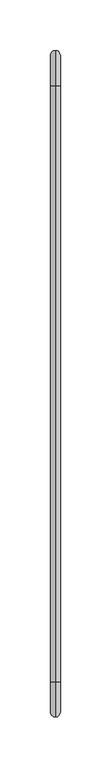
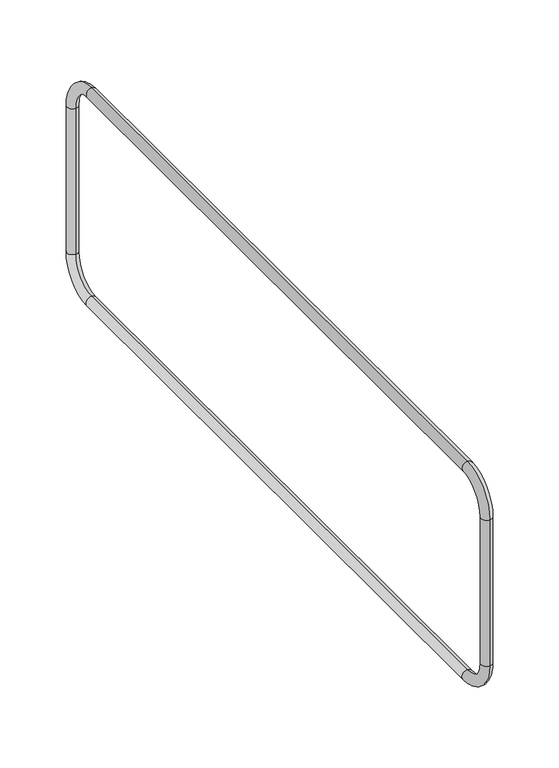
"""IFC4 building model written with IfcOpenShell, lengths in millimetres: beam geometry."""

from ifc_helpers import new_model, si_unit, point, frame, origin, place, context, project, spatial, circle_curve, ellipse_curve, trimmed, source, transform, mapped, element, save
from ifc_brep_helpers import cylinder_surface, revolved_surface, advanced_brep


def beam_24ae7504(model_context):
    return source(origin(), model_context, "Body", "AdvancedBrep", [
        advanced_brep(
        [(0.0, -30.0, -0.2869889), (0.0, 5.0, -35.2869889), (0.0, -5.0, -35.2869889), (0.0, -30.0, -10.2869889), (0.0, -620.0, -10.2869889), (0.0, -620.0, -0.2869889), (0.0, -655.0, -35.2869889), (0.0, -645.0, -35.2869889), (0.0, -645.0, -175.2869889), (0.0, -655.0, -175.2869889), (0.0, -620.0, -210.2869889), (0.0, -620.0, -200.2869889), (0.0, -30.0, -200.2869889), (0.0, -30.0, -210.2869889), (0.0, 5.0, -175.2869889), (0.0, -5.0, -175.2869889)],
        [
            (0, 1, circle_curve(frame((0.0, -30.0, -35.2869889), z_axis=(-1.0, 0.0, 0.0), x_axis=(0.0, 1.0, 0.0)), 35.0)),
            (1, 2, circle_curve(frame((0.0, 0.0, -35.2869889), z_axis=(0.0, 0.0, 1.0), x_axis=(0.0, -1.0, 0.0)), 5.0)),
            (2, 3, circle_curve(frame((0.0, -30.0, -35.2869889), z_axis=(1.0, 0.0, 0.0), x_axis=(0.0, 1.0, 0.0)), 25.0)),
            (3, 0, circle_curve(frame((0.0, -30.0, -5.2869889), z_axis=(0.0, 1.0, 0.0), x_axis=(0.0, 0.0, -1.0)), 5.0)),
            (2, 1, circle_curve(frame((0.0, 0.0, -35.2869889), z_axis=(0.0, 0.0, 1.0), x_axis=(0.0, -1.0, 0.0)), 5.0)),
            (0, 3, circle_curve(frame((0.0, -30.0, -5.2869889), z_axis=(0.0, 1.0, 0.0), x_axis=(0.0, 0.0, -1.0)), 5.0)),
            (3, 4),
            (4, 5, circle_curve(frame((0.0, -620.0, -5.2869889), z_axis=(0.0, 1.0, 0.0), x_axis=(0.0, 0.0, -1.0)), 5.0)),
            (5, 0),
            (5, 4, circle_curve(frame((0.0, -620.0, -5.2869889), z_axis=(0.0, 1.0, 0.0), x_axis=(0.0, 0.0, -1.0)), 5.0)),
            (6, 5, circle_curve(frame((0.0, -620.0, -35.2869889), z_axis=(-1.0, 0.0, 0.0), x_axis=(0.0, 0.0, 1.0)), 35.0)),
            (4, 7, circle_curve(frame((0.0, -620.0, -35.2869889), z_axis=(1.0, 0.0, 0.0), x_axis=(0.0, 0.0, 1.0)), 25.0)),
            (7, 6, circle_curve(frame((0.0, -650.0, -35.2869889), z_axis=(0.0, 0.0, 1.0), x_axis=(0.0, 1.0, 0.0)), 5.0)),
            (6, 7, circle_curve(frame((0.0, -650.0, -35.2869889), z_axis=(0.0, 0.0, 1.0), x_axis=(0.0, 1.0, 0.0)), 5.0)),
            (7, 8),
            (8, 9, circle_curve(frame((0.0, -650.0, -175.2869889), z_axis=(0.0, 0.0, 1.0), x_axis=(0.0, 1.0, 0.0)), 5.0)),
            (9, 6),
            (9, 8, circle_curve(frame((0.0, -650.0, -175.2869889), z_axis=(0.0, 0.0, 1.0), x_axis=(0.0, 1.0, 0.0)), 5.0)),
            (10, 9, circle_curve(frame((0.0, -620.0, -175.2869889), z_axis=(-1.0, 0.0, 0.0), x_axis=(0.0, -1.0, 0.0)), 35.0)),
            (8, 11, circle_curve(frame((0.0, -620.0, -175.2869889), z_axis=(1.0, 0.0, 0.0), x_axis=(0.0, -1.0, 0.0)), 25.0)),
            (11, 10, circle_curve(frame((0.0, -620.0, -205.2869889), z_axis=(0.0, -1.0, 0.0), x_axis=(0.0, 0.0, 1.0)), 5.0)),
            (10, 11, circle_curve(frame((0.0, -620.0, -205.2869889), z_axis=(0.0, -1.0, 0.0), x_axis=(0.0, 0.0, 1.0)), 5.0)),
            (11, 12),
            (12, 13, circle_curve(frame((0.0, -30.0, -205.2869889), z_axis=(0.0, -1.0, 0.0), x_axis=(0.0, 0.0, 1.0)), 5.0)),
            (13, 10),
            (13, 12, circle_curve(frame((0.0, -30.0, -205.2869889), z_axis=(0.0, -1.0, 0.0), x_axis=(0.0, 0.0, 1.0)), 5.0)),
            (14, 13, circle_curve(frame((0.0, -30.0, -175.2869889), z_axis=(-1.0, 0.0, 0.0), x_axis=(0.0, 0.0, -1.0)), 35.0)),
            (12, 15, circle_curve(frame((0.0, -30.0, -175.2869889), z_axis=(1.0, 0.0, 0.0), x_axis=(0.0, 0.0, -1.0)), 25.0)),
            (15, 14, circle_curve(frame((0.0, 0.0, -175.2869889), z_axis=(0.0, 0.0, -1.0), x_axis=(0.0, -1.0, 0.0)), 5.0)),
            (14, 15, circle_curve(frame((0.0, 0.0, -175.2869889), z_axis=(0.0, 0.0, -1.0), x_axis=(0.0, -1.0, 0.0)), 5.0)),
            (15, 2),
            (1, 14),
        ],
        [
            revolved_surface(trimmed(ellipse_curve(frame((0.0, 0.0, -35.2869889), z_axis=(0.0, 0.0, -1.0), x_axis=(0.0, -1.0, 0.0)), 5.0, 5.0), [point((0.0, -5.0, -35.2869889))], [point((0.0, 5.0, -35.2869889))], True, "CARTESIAN"), (0.0, -30.0, -35.2869889), (1.0, 0.0, 0.0)),
            revolved_surface(trimmed(ellipse_curve(frame((0.0, 0.0, -35.2869889), z_axis=(0.0, 0.0, -1.0), x_axis=(0.0, -1.0, 0.0)), 5.0, 5.0), [point((0.0, 5.0, -35.2869889))], [point((0.0, -5.0, -35.2869889))], True, "CARTESIAN"), (0.0, -30.0, -35.2869889), (1.0, 0.0, 0.0)),
            cylinder_surface(frame((0.0, -30.0, -5.2869889), z_axis=(0.0, 1.0, 0.0), x_axis=(0.0, 0.0, -1.0)), 5.0),
            revolved_surface(trimmed(ellipse_curve(frame((0.0, -620.0, -5.2869889), z_axis=(0.0, 1.0, 0.0), x_axis=(0.0, 0.0, -1.0)), 5.0, 5.0), [point((0.0, -620.0, -10.2869889))], [point((0.0, -620.0, -0.2869889))], True, "CARTESIAN"), (0.0, -620.0, -35.2869889), (1.0, 0.0, 0.0)),
            revolved_surface(trimmed(ellipse_curve(frame((0.0, -620.0, -5.2869889), z_axis=(0.0, 1.0, 0.0), x_axis=(0.0, 0.0, -1.0)), 5.0, 5.0), [point((0.0, -620.0, -0.2869889))], [point((0.0, -620.0, -10.2869889))], True, "CARTESIAN"), (0.0, -620.0, -35.2869889), (1.0, 0.0, 0.0)),
            cylinder_surface(frame((0.0, -650.0, -35.2869889), z_axis=(0.0, 0.0, 1.0), x_axis=(0.0, 1.0, 0.0)), 5.0),
            revolved_surface(trimmed(ellipse_curve(frame((0.0, -650.0, -175.2869889), z_axis=(0.0, 0.0, 1.0), x_axis=(0.0, 1.0, 0.0)), 5.0, 5.0), [point((0.0, -645.0, -175.2869889))], [point((0.0, -655.0, -175.2869889))], True, "CARTESIAN"), (0.0, -620.0, -175.2869889), (1.0, 0.0, 0.0)),
            revolved_surface(trimmed(ellipse_curve(frame((0.0, -650.0, -175.2869889), z_axis=(0.0, 0.0, 1.0), x_axis=(0.0, 1.0, 0.0)), 5.0, 5.0), [point((0.0, -655.0, -175.2869889))], [point((0.0, -645.0, -175.2869889))], True, "CARTESIAN"), (0.0, -620.0, -175.2869889), (1.0, 0.0, 0.0)),
            cylinder_surface(frame((0.0, -620.0, -205.2869889), z_axis=(0.0, -1.0, 0.0), x_axis=(0.0, 0.0, 1.0)), 5.0),
            revolved_surface(trimmed(ellipse_curve(frame((0.0, -30.0, -205.2869889), z_axis=(0.0, -1.0, 0.0), x_axis=(0.0, 0.0, 1.0)), 5.0, 5.0), [point((0.0, -30.0, -200.2869889))], [point((0.0, -30.0, -210.2869889))], True, "CARTESIAN"), (0.0, -30.0, -175.2869889), (1.0, 0.0, 0.0)),
            revolved_surface(trimmed(ellipse_curve(frame((0.0, -30.0, -205.2869889), z_axis=(0.0, -1.0, 0.0), x_axis=(0.0, 0.0, 1.0)), 5.0, 5.0), [point((0.0, -30.0, -210.2869889))], [point((0.0, -30.0, -200.2869889))], True, "CARTESIAN"), (0.0, -30.0, -175.2869889), (1.0, 0.0, 0.0)),
            cylinder_surface(frame((0.0, 0.0, -175.2869889), z_axis=(0.0, 0.0, -1.0), x_axis=(0.0, -1.0, 0.0)), 5.0),
        ],
        [
            (0, [[1, 2, 3, 4]]),
            (1, [[-3, 5, -1, 6]]),
            (2, [[-4, 7, 8, 9]]),
            (2, [[-6, -9, 10, -7]]),
            (3, [[11, -8, 12, 13]]),
            (4, [[-12, -10, -11, 14]]),
            (5, [[-13, 15, 16, 17]]),
            (5, [[-14, -17, 18, -15]]),
            (6, [[19, -16, 20, 21]]),
            (7, [[-20, -18, -19, 22]]),
            (8, [[-21, 23, 24, 25]]),
            (8, [[-22, -25, 26, -23]]),
            (9, [[27, -24, 28, 29]]),
            (10, [[-28, -26, -27, 30]]),
            (11, [[-29, 31, -2, 32]]),
            (11, [[-30, -32, -5, -31]]),
        ],
    ),
    ])


if __name__ == "__main__":
    model = new_model("IFC4")
    model_context = context("Model", 3, world=origin())
    ifc_project = project(units=[si_unit("LENGTHUNIT", "METRE", prefix="MILLI")], contexts=[model_context])
    site = spatial("IfcSite", under=ifc_project)
    building = spatial("IfcBuilding", under=site)
    placement = place(None, origin())
    beam_shape = beam_24ae7504(model_context)
    element("IfcBeam", 1, at=placement, inside=building, context=model_context, shape_type="MappedRepresentation", body=[
        mapped(beam_shape, transform((0.0, 0.0, 0.0), x_axis=(1.0, 0.0, 0.0), y_axis=(0.0, 1.0, 0.0), z_axis=(0.0, 0.0, 1.0))),
    ])
    save(model, "model.ifc")
